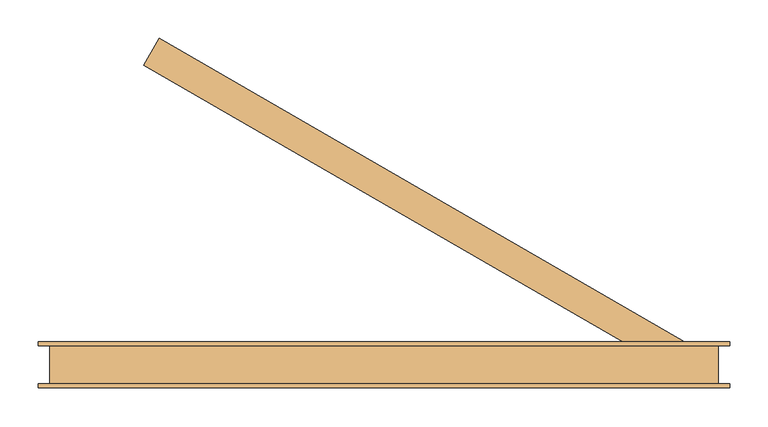
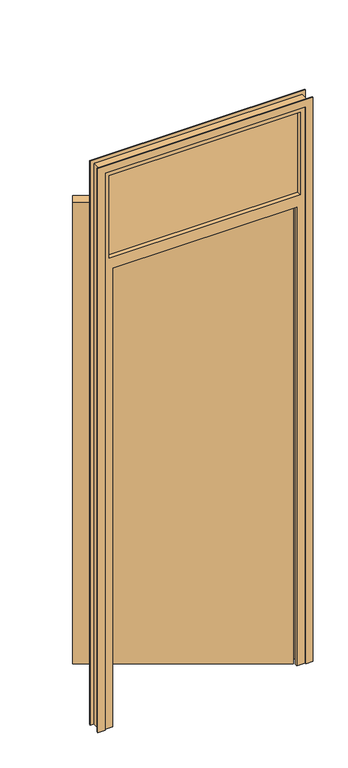
"""IFC4 building model written with IfcOpenShell, lengths in millimetres: door geometry."""

import ifcopenshell
import ifcopenshell.guid

model = None  # the IFC model being written
_history = None  # IfcOwnerHistory: only IFC2X3 demands one
_inside = {}  # id of a spatial element -> (the spatial element, [elements in it])
_under = {}  # id of a project, library or spatial element -> (it, [spatial elements below it])
_declared = {}  # id of a project -> (the project, [libraries it declares])
_typed = {}  # id of a type object -> (the type object, [elements of that type])
_made_of = {}  # id of a material, layer set ... -> (it, [elements and type objects made of it])


def new_model(schema):
    """Start an empty IFC model of exactly this schema.

    Asked for "IFC4X3", IfcOpenShell would pick the latest addendum, in which some entities
    have other attributes; the version numbers below select the first issue.
    IFC2X3 requires an IfcOwnerHistory on every rooted entity: one is made here for all.
    """
    global model, _history
    if schema == "IFC4X3":
        model = ifcopenshell.file(schema_version=(4, 3, 0, 0))
    else:
        model = ifcopenshell.file(schema=schema)
    _inside.clear()
    _under.clear()
    _declared.clear()
    _typed.clear()
    _made_of.clear()
    _history = None
    if model.schema == "IFC2X3":
        org = make("IfcOrganization", Name="unknown")
        user = make(
            "IfcPersonAndOrganization",
            ThePerson=make("IfcPerson", FamilyName="unknown"),
            TheOrganization=org,
        )
        app = make(
            "IfcApplication",
            ApplicationDeveloper=org,
            Version="unknown",
            ApplicationFullName="unknown",
            ApplicationIdentifier="unknown",
        )
        _history = make(
            "IfcOwnerHistory",
            OwningUser=user,
            OwningApplication=app,
            ChangeAction="ADDED",
            CreationDate=0,
        )
    return model


def make(cls, **values):
    """One entity of the class cls with the attributes given. An attribute that is None is left unset."""
    return model.create_entity(
        cls, **{name: value for name, value in values.items() if value is not None}
    )


def rooted(cls, **values):
    """An entity with a GlobalId (a new one), such as an element, a storey or a relation."""
    return make(cls, GlobalId=ifcopenshell.guid.new(), OwnerHistory=_history, **values)


def si_unit(unit_type, name, prefix=None):
    """IfcSIUnit, for example si_unit("LENGTHUNIT", "METRE", prefix="MILLI")."""
    return make("IfcSIUnit", UnitType=unit_type, Prefix=prefix, Name=name)


def assignment(units):
    """IfcUnitAssignment: the units of a project."""
    return None if units is None else make("IfcUnitAssignment", Units=units)


def point(xyz):
    """IfcCartesianPoint."""
    return None if xyz is None else make("IfcCartesianPoint", Coordinates=xyz)


def direction(xyz):
    """IfcDirection."""
    return None if xyz is None else make("IfcDirection", DirectionRatios=xyz)


def frame(location, z_axis=None, x_axis=None):
    """IfcAxis2Placement3D, a coordinate frame: its origin and axes. An axis left out is left unset."""
    return make(
        "IfcAxis2Placement3D",
        Location=point(location),
        Axis=direction(z_axis),
        RefDirection=direction(x_axis),
    )


def origin():
    """The frame at (0, 0, 0) with its axes left unset."""
    return frame((0.0, 0.0, 0.0))


def origin_with_axes():
    """The frame at (0, 0, 0) with the z axis (0, 0, 1) and the x axis (1, 0, 0) written out."""
    return frame((0.0, 0.0, 0.0), z_axis=(0.0, 0.0, 1.0), x_axis=(1.0, 0.0, 0.0))


def place(relative_to, where):
    """IfcLocalPlacement: puts the frame where relative to a parent placement (None: the world)."""
    return make(
        "IfcLocalPlacement", PlacementRelTo=relative_to, RelativePlacement=where
    )


def context(
    kind, dimensions, precision=None, world=None, true_north=None, identifier=None
):
    """IfcGeometricRepresentationContext, for example the 3D "Model" context."""
    return make(
        "IfcGeometricRepresentationContext",
        ContextIdentifier=identifier,
        ContextType=kind,
        CoordinateSpaceDimension=dimensions,
        Precision=precision,
        WorldCoordinateSystem=world,
        TrueNorth=true_north,
    )


def project(units=None, contexts=None):
    """IfcProject with its units and contexts."""
    return rooted(
        "IfcProject",
        Name="project",
        RepresentationContexts=contexts,
        UnitsInContext=assignment(units),
    )


def spatial(cls, under=None, at=None, **own):
    """A site, building, storey or space (cls), placed at a placement, below another one or the project."""
    s = rooted(cls, ObjectPlacement=at, **own)
    if under is not None:
        _under.setdefault(under.id(), (under, []))[1].append(s)
    return s


def polyline(points):
    """IfcPolyline through the points."""
    return make("IfcPolyline", Points=[point(p) for p in points])


def outline(outer, holes=None, kind="AREA"):
    """IfcArbitraryClosedProfileDef: a profile drawn as a closed curve; with holes, ...WithVoids."""
    if holes is None:
        return make("IfcArbitraryClosedProfileDef", ProfileType=kind, OuterCurve=outer)
    return make(
        "IfcArbitraryProfileDefWithVoids",
        ProfileType=kind,
        OuterCurve=outer,
        InnerCurves=holes,
    )


def extrude(swept, where, along, depth):
    """IfcExtrudedAreaSolid: the profile swept, set in the frame where, extruded along a direction by depth."""
    return make(
        "IfcExtrudedAreaSolid",
        SweptArea=swept,
        Position=where,
        ExtrudedDirection=direction(along),
        Depth=depth,
    )


def faces_of(points, faces, orient=None, outer=None):
    """IfcFace entities. A face is a list of loops; a loop is a list of indices into points, from 0.

    orient and outer hold one flag for each loop. By default every Orientation is true, the
    first loop of a face is its IfcFaceOuterBound and the others are IfcFaceBound.
    """
    made = []
    for i, loops in enumerate(faces):
        bounds = []
        for j, loop in enumerate(loops):
            is_outer = j == 0 if outer is None else outer[i][j]
            bounds.append(
                make(
                    "IfcFaceOuterBound" if is_outer else "IfcFaceBound",
                    Bound=make("IfcPolyLoop", Polygon=[points[k] for k in loop]),
                    Orientation=True if orient is None else orient[i][j],
                )
            )
        made.append(make("IfcFace", Bounds=bounds))
    return made


def faceted_brep(points, faces, orient=None, outer=None, voids=None):
    """IfcFacetedBrep: a solid bounded by flat faces; with voids (closed shells), ...WithVoids."""
    shared = [point(p) for p in points]
    hull = make("IfcClosedShell", CfsFaces=faces_of(shared, faces, orient, outer))
    if voids is None:
        return make("IfcFacetedBrep", Outer=hull)
    return make(
        "IfcFacetedBrepWithVoids",
        Outer=hull,
        Voids=[
            make(cls, CfsFaces=faces_of(shared, fs, o, b)) for cls, fs, o, b in voids
        ],
    )


def shape(context_of_items, identifier, shape_type, items):
    """IfcShapeRepresentation: the items that make up one representation, for example the "Body"."""
    return make(
        "IfcShapeRepresentation",
        ContextOfItems=context_of_items,
        RepresentationIdentifier=identifier,
        RepresentationType=shape_type,
        Items=items,
    )


def source(mapping_origin, context_of_items, identifier, shape_type, items):
    """IfcRepresentationMap: a shape defined once, which mapped items show again and again."""
    return make(
        "IfcRepresentationMap",
        MappingOrigin=mapping_origin,
        MappedRepresentation=shape(context_of_items, identifier, shape_type, items),
    )


def transform(
    local_origin,
    x_axis=None,
    y_axis=None,
    z_axis=None,
    scale=None,
    scale2=None,
    scale3=None,
    uniform=True,
):
    """IfcCartesianTransformationOperator3D, or its non-uniform kind. x_axis, y_axis, z_axis: its Axis1, 2, 3."""
    if uniform:
        return make(
            "IfcCartesianTransformationOperator3D",
            Axis1=direction(x_axis),
            Axis2=direction(y_axis),
            LocalOrigin=point(local_origin),
            Scale=scale,
            Axis3=direction(z_axis),
        )
    return make(
        "IfcCartesianTransformationOperator3DnonUniform",
        Axis1=direction(x_axis),
        Axis2=direction(y_axis),
        LocalOrigin=point(local_origin),
        Scale=scale,
        Axis3=direction(z_axis),
        Scale2=scale2,
        Scale3=scale3,
    )


def mapped(mapping_source, mapping_target):
    """IfcMappedItem: shows the shape of a source again, moved by a transform."""
    return make(
        "IfcMappedItem", MappingSource=mapping_source, MappingTarget=mapping_target
    )


def made_of(thing, what):
    """Note that an element or type object is made of a material, layer set ...; save() writes the relation."""
    if what is not None:
        _made_of.setdefault(what.id(), (what, []))[1].append(thing)
    return thing


def element(
    cls,
    number,
    at=None,
    inside=None,
    cuts=None,
    type_object=None,
    material=None,
    context=None,
    identifier="Body",
    shape_type=None,
    held_by="IfcProductDefinitionShape",
    body=None,
    shapes=None,
    **own,
):
    """One element of the class cls, such as IfcWall. Its Tag is "e" and its number.

    at: its placement. inside: the storey or other place that contains it. cuts: it is an
    opening in that element (IfcRelVoidsElement). A single representation is given by context,
    identifier, shape_type and body (its items); several are given by shapes. held_by: the class
    of the entity that holds the representations. save() writes the other relations.
    """
    e = rooted(cls, Tag="e%d" % number, ObjectPlacement=at, **own)
    if body is not None:
        shapes = [shape(context, identifier, shape_type, body)]
    if shapes is not None:
        e.Representation = make(held_by, Representations=shapes)
    if inside is not None:
        _inside.setdefault(inside.id(), (inside, []))[1].append(e)
    if cuts is not None:
        rooted(
            "IfcRelVoidsElement", RelatingBuildingElement=cuts, RelatedOpeningElement=e
        )
    if type_object is not None:
        _typed.setdefault(type_object.id(), (type_object, []))[1].append(e)
    return made_of(e, material)


def aggregate(whole, parts):
    """IfcRelAggregates: a whole, such as a stair, and the parts it consists of."""
    return rooted("IfcRelAggregates", RelatingObject=whole, RelatedObjects=parts)


def save(model, path):
    """Write the relations noted so far, then the file.

    IfcRelAggregates (storeys below a building ...), IfcRelContainedInSpatialStructure (elements
    in a storey), IfcRelDefinesByType, IfcRelAssociatesMaterial and IfcRelDeclares: one each for
    every whole, place, type object, material and project.
    """
    for whole, parts in _under.values():
        aggregate(whole, parts)
    for where, things in _inside.values():
        rooted(
            "IfcRelContainedInSpatialStructure",
            RelatedElements=things,
            RelatingStructure=where,
        )
    for kind, things in _typed.values():
        rooted("IfcRelDefinesByType", RelatedObjects=things, RelatingType=kind)
    for what, things in _made_of.values():
        rooted("IfcRelAssociatesMaterial", RelatedObjects=things, RelatingMaterial=what)
    for by, libraries in _declared.values():
        rooted("IfcRelDeclares", RelatingContext=by, RelatedDefinitions=libraries)
    model.write(path)


def door_2f96387a(model_context):
    return source(origin(), model_context, "Body", "SolidModel", [
        extrude(outline(polyline([(-347.820323, 390.3589838), (-327.820323, 425.0), (365.0, 25.0), (345.0, -9.6410162), (-347.820323, 390.3589838)])), origin_with_axes(), (0.0, 0.0, 1.0), 2040.0),
        extrude(outline(polyline([(0.0, -455.0), (2460.0, -455.0), (2460.0, 385.0), (0.0, 385.0), (0.0, 415.0), (2490.0, 415.0), (2490.0, -485.0), (0.0, -485.0), (0.0, -455.0)])), frame((0.0, 25.0, 0.0), z_axis=(0.0, 1.0, 0.0), x_axis=(0.0, 0.0, 1.0)), (0.0, 0.0, 1.0), 5.0),
        extrude(outline(polyline([(0.0, -455.0), (2460.0, -455.0), (2460.0, 385.0), (0.0, 385.0), (0.0, 415.0), (2490.0, 415.0), (2490.0, -485.0), (0.0, -485.0), (0.0, -455.0)])), frame((0.0, -30.0, 0.0), z_axis=(0.0, 1.0, 0.0), x_axis=(0.0, 0.0, 1.0)), (0.0, 0.0, 1.0), 5.0),
        extrude(outline(polyline([(365.0, 6.0), (365.0, -6.0), (-435.0, -6.0), (-435.0, 6.0), (365.0, 6.0)])), frame((0.0, 0.0, 2075.0), z_axis=(0.0, 0.0, 1.0), x_axis=(1.0, 0.0, 0.0)), (0.0, 0.0, 1.0), 365.0),
        faceted_brep([(-470.0, 25.0, 0.0), (-435.0, 25.0, 0.0), (-435.0, -15.0, 0.0), (-420.0, -15.0, 0.0), (-420.0, -25.0, 0.0), (-470.0, -25.0, 0.0), (-470.0, -25.0, 2475.0), (-470.0, 25.0, 2475.0), (-420.0, -25.0, 2025.0), (350.0, -25.0, 2025.0), (350.0, -25.0, 0.0), (400.0, -25.0, 0.0), (400.0, -25.0, 2475.0), (-435.0, -25.0, 2075.0), (-435.0, -25.0, 2440.0), (365.0, -25.0, 2440.0), (365.0, -25.0, 2075.0), (-420.0, -15.0, 2025.0), (-435.0, -15.0, 2040.0), (365.0, -15.0, 2040.0), (365.0, -15.0, 0.0), (350.0, -15.0, 0.0), (350.0, -15.0, 2025.0), (-435.0, 25.0, 2040.0), (400.0, 25.0, 2475.0), (400.0, 25.0, 0.0), (365.0, 25.0, 0.0), (365.0, 25.0, 2040.0), (365.0, 25.0, 2075.0), (365.0, 25.0, 2440.0), (-435.0, 25.0, 2440.0), (-435.0, 25.0, 2075.0)], [[[0, 1, 2, 3, 4, 5]], [[5, 6, 7, 0]], [[4, 8, 9, 10, 11, 12, 6, 5], [13, 14, 15, 16]], [[3, 17, 8, 4]], [[2, 18, 19, 20, 21, 22, 17, 3]], [[1, 23, 18, 2]], [[7, 24, 25, 26, 27, 23, 1, 0], [28, 29, 30, 31]], [[11, 25, 24, 12]], [[10, 21, 20, 26, 25, 11]], [[9, 22, 21, 10]], [[19, 27, 26, 20]], [[7, 6, 12, 24]], [[28, 16, 15, 29]], [[29, 15, 14, 30]], [[30, 14, 13, 31]], [[16, 28, 31, 13]], [[8, 17, 22, 9]], [[18, 23, 27, 19]]]),
    ])


if __name__ == "__main__":
    model = new_model("IFC4")
    model_context = context("Model", 3, world=origin())
    ifc_project = project(units=[si_unit("LENGTHUNIT", "METRE", prefix="MILLI")], contexts=[model_context])
    site = spatial("IfcSite", under=ifc_project)
    building = spatial("IfcBuilding", under=site)
    placement = place(None, origin())
    door_shape = door_2f96387a(model_context)
    element("IfcDoor", 1, at=placement, inside=building, context=model_context, shape_type="MappedRepresentation", body=[
        mapped(door_shape, transform((0.0, 0.0, 0.0), x_axis=(1.0, 0.0, 0.0), y_axis=(0.0, 1.0, 0.0), z_axis=(0.0, 0.0, 1.0))),
    ])
    save(model, "model.ifc")
